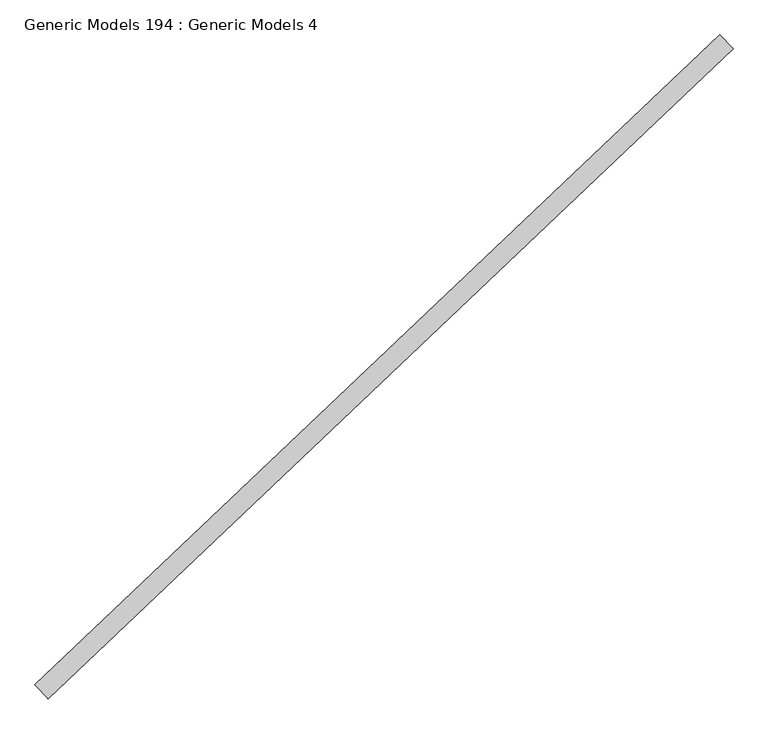
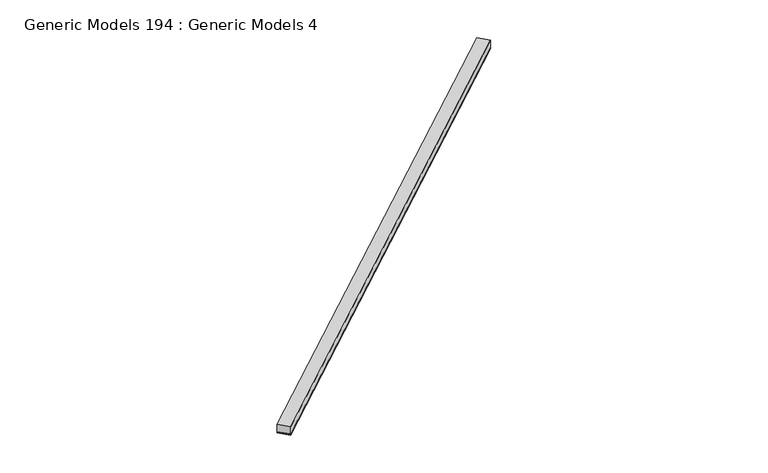
"""IFC4 building model written with IfcOpenShell, lengths in millimetres: proxy geometry, Generic Models 194 : Generic Models 4."""

from ifc_helpers import new_model, si_unit, point, frame, frame_2d, origin, place, context, project, spatial, polyline, circle_curve, trimmed, segment, composite_curve, outline, extrude, source, transform, mapped, element, save


def generic_models_194_generic_models_4_df6c06be(model_context):
    return source(origin(), model_context, "Body", "SweptSolid", [
        extrude(outline(composite_curve([segment(polyline([(92.075, -9.128125), (0.0, -9.128125)]), True, "CONTINUOUS"), segment(trimmed(circle_curve(frame_2d((-4.4149557, -4.5640625)), 6.35), [point((0.0, -9.128125))], [point((0.0, 0.0))], True, "CARTESIAN"), True, "CONTINUOUS"), segment(polyline([(0.0, 0.0), (92.075, 0.0)]), True, "CONTINUOUS"), segment(trimmed(circle_curve(frame_2d((96.4899556, -4.5640625)), 6.35), [point((92.075, 0.0))], [point((92.075, -9.128125))], True, "CARTESIAN"), True, "CONTINUOUS")], self_intersect=False)), frame((99763.4645275, 57298.7606646, 17234.4878084), z_axis=(0.7253743710123147, 0.6883545756937256, 0.0), x_axis=(0.6883545756937256, -0.7253743710123147, 0.0)), (0.0, 0.0, 1.0), 4530.725),
        extrude(outline(polyline([(99826.844775, 57231.9718194), (99763.4645275, 57298.7606646), (103049.9363246, 60417.5059496), (103113.3165721, 60350.7171044), (99826.844775, 57231.9718194)])), frame((0.0, 0.0, 17244.0128084), z_axis=(0.0, 0.0, 1.0), x_axis=(1.0, 0.0, 0.0)), (0.0, 0.0, 1.0), 57.15),
    ])


if __name__ == "__main__":
    model = new_model("IFC4")
    model_context = context("Model", 3, world=origin())
    ifc_project = project(units=[si_unit("LENGTHUNIT", "METRE", prefix="MILLI")], contexts=[model_context])
    site = spatial("IfcSite", under=ifc_project)
    building = spatial("IfcBuilding", under=site)
    placement = place(None, origin())
    generic_models_194_generic_models_4_shape = generic_models_194_generic_models_4_df6c06be(model_context)
    element("IfcBuildingElementProxy", 1, Name="Generic Models 194 : Generic Models 4", ObjectType="Generic Models 194 : Generic Models 4", at=placement, inside=building, context=model_context, shape_type="MappedRepresentation", body=[
        mapped(generic_models_194_generic_models_4_shape, transform((0.0, 0.0, 0.0), x_axis=(1.0, 0.0, 0.0), y_axis=(0.0, 1.0, 0.0), z_axis=(0.0, 0.0, 1.0))),
    ])
    save(model, "model.ifc")
